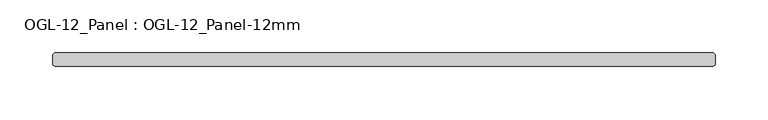
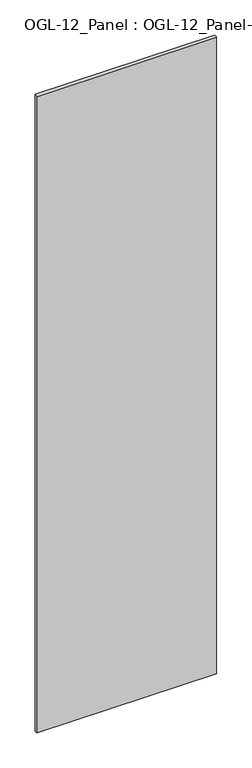
"""IFC4 building model written with IfcOpenShell, lengths in millimetres: plate geometry, OGL-12_Panel : OGL-12_Panel-12mm."""

from ifc_helpers import new_model, si_unit, origin, origin_with_axes, place, context, project, spatial, polyline, outline, extrude, source, transform, mapped, element, save


def ogl_12_panel_ogl_12_panel_12mm_9495d8e7(model_context):
    return source(origin(), model_context, "Body", "SweptSolid", [
        extrude(outline(polyline([(311.6360521, 29.1703125), (313.2235521, 27.5828125), (313.2235521, 18.0578125), (311.6360521, 16.4703125), (-311.6360521, 16.4703125), (-313.2235521, 18.0578125), (-313.2235521, 27.5828125), (-311.6360521, 29.1703125), (311.6360521, 29.1703125)])), origin_with_axes(), (0.0, 0.0, 1.0), 2339.9738578),
    ])


if __name__ == "__main__":
    model = new_model("IFC4")
    model_context = context("Model", 3, world=origin())
    ifc_project = project(units=[si_unit("LENGTHUNIT", "METRE", prefix="MILLI")], contexts=[model_context])
    site = spatial("IfcSite", under=ifc_project)
    building = spatial("IfcBuilding", under=site)
    placement = place(None, origin())
    ogl_12_panel_ogl_12_panel_12mm_shape = ogl_12_panel_ogl_12_panel_12mm_9495d8e7(model_context)
    element("IfcPlate", 1, ObjectType="OGL-12_Panel : OGL-12_Panel-12mm", at=placement, inside=building, context=model_context, shape_type="MappedRepresentation", body=[
        mapped(ogl_12_panel_ogl_12_panel_12mm_shape, transform((0.0, 0.0, 0.0), x_axis=(1.0, 0.0, 0.0), y_axis=(0.0, 1.0, 0.0), z_axis=(0.0, 0.0, 1.0))),
    ])
    save(model, "model.ifc")
